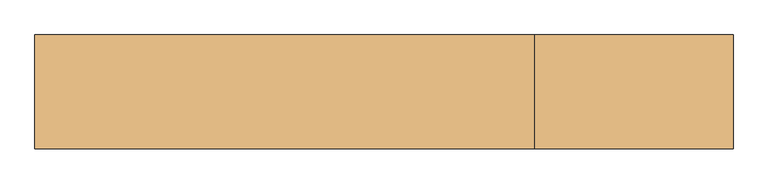
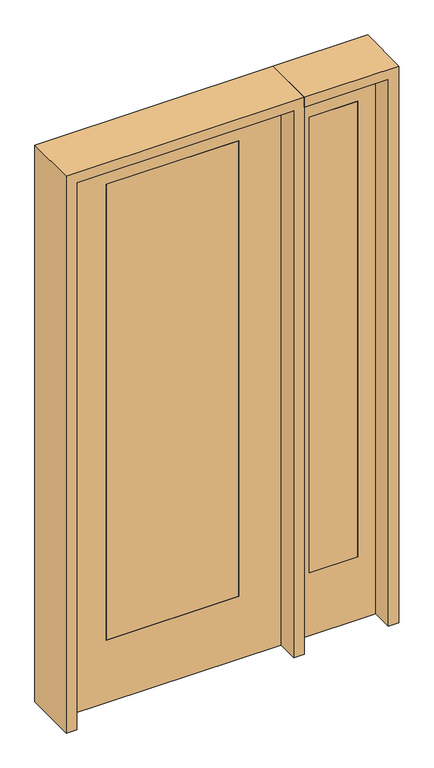
"""IFC4 building model written with IfcOpenShell, lengths in millimetres: door geometry."""

from ifc_helpers import new_model, si_unit, frame, origin, place, context, project, spatial, polyline, outline, extrude, source, transform, mapped, element, save


def door_31e0e12e(model_context):
    return source(origin(), model_context, "Body", "SweptSolid", [
        extrude(outline(polyline([(577.85, -20.6375), (577.85, 20.6375), (781.05, 20.6375), (781.05, -20.6375), (577.85, -20.6375)])), frame((0.0, 0.0, 279.4), z_axis=(0.0, 0.0, 1.0), x_axis=(1.0, 0.0, 0.0)), (0.0, 0.0, 1.0), 2032.0),
        extrude(outline(polyline([(0.0, 857.25), (2438.4, 857.25), (2438.4, 501.65), (0.0, 501.65), (0.0, 857.25)]), holes=[polyline([(2311.4, 577.85), (2311.4, 781.05), (279.4, 781.05), (279.4, 577.85), (2311.4, 577.85)])]), frame((0.0, -20.6375, 0.0), z_axis=(0.0, 1.0, 0.0), x_axis=(0.0, 0.0, 1.0)), (0.0, 0.0, 1.0), 41.275),
        extrude(outline(polyline([(2438.4, 457.2), (2438.4, -457.2), (0.0, -457.2), (0.0, 457.2), (2438.4, 457.2)]), holes=[polyline([(279.4, 279.4), (279.4, -279.4), (2311.4, -279.4), (2311.4, 279.4), (279.4, 279.4)])]), frame((0.0, -20.6375, 0.0), z_axis=(0.0, 1.0, 0.0), x_axis=(0.0, 0.0, 1.0)), (0.0, 0.0, 1.0), 41.275),
        extrude(outline(polyline([(279.4, -20.6375), (-279.4, -20.6375), (-279.4, 20.6375), (279.4, 20.6375), (279.4, -20.6375)])), frame((0.0, 0.0, 279.4), z_axis=(0.0, 0.0, 1.0), x_axis=(1.0, 0.0, 0.0)), (0.0, 0.0, 1.0), 2032.0),
        extrude(outline(polyline([(2482.85, -501.65), (0.0, -501.65), (0.0, -457.2), (2438.4, -457.2), (2438.4, 457.2), (0.0, 457.2), (0.0, 501.65), (2482.85, 501.65), (2482.85, -501.65)])), frame((0.0, -114.3, 0.0), z_axis=(0.0, 1.0, 0.0), x_axis=(0.0, 0.0, 1.0)), (0.0, 0.0, 1.0), 228.6),
        extrude(outline(polyline([(0.0, 857.25), (0.0, 901.7), (2482.85, 901.7), (2482.85, 501.65), (2438.4, 501.65), (2438.4, 857.25), (0.0, 857.25)])), frame((0.0, -114.3, 0.0), z_axis=(0.0, 1.0, 0.0), x_axis=(0.0, 0.0, 1.0)), (0.0, 0.0, 1.0), 228.6),
    ])


if __name__ == "__main__":
    model = new_model("IFC4")
    model_context = context("Model", 3, world=origin())
    ifc_project = project(units=[si_unit("LENGTHUNIT", "METRE", prefix="MILLI")], contexts=[model_context])
    site = spatial("IfcSite", under=ifc_project)
    building = spatial("IfcBuilding", under=site)
    placement = place(None, origin())
    door_shape = door_31e0e12e(model_context)
    element("IfcDoor", 1, at=placement, inside=building, context=model_context, shape_type="MappedRepresentation", body=[
        mapped(door_shape, transform((0.0, 0.0, 0.0), x_axis=(1.0, 0.0, 0.0), y_axis=(0.0, 1.0, 0.0), z_axis=(0.0, 0.0, 1.0))),
    ])
    save(model, "model.ifc")
